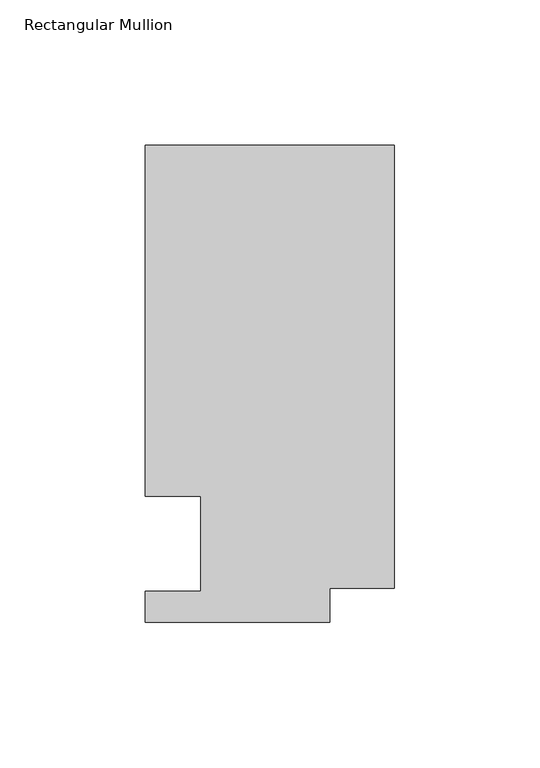
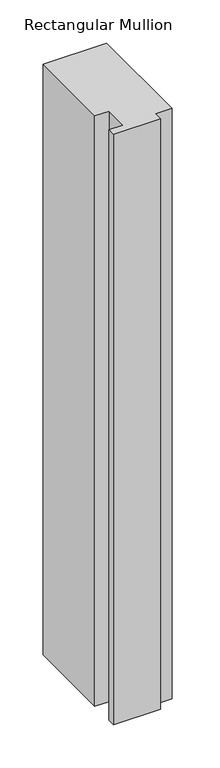
"""IFC4 building model written with IfcOpenShell, lengths in millimetres: member geometry, Rectangular Mullion."""

from ifc_helpers import new_model, si_unit, frame, origin, place, context, project, spatial, polyline, outline, extrude, source, transform, mapped, element, save


def rectangular_mullion_e59d50a5(model_context):
    return source(origin(), model_context, "Body", "SweptSolid", [
        extrude(outline(polyline([(-85.7123, 152.4), (0.0, 152.4), (0.0, 0.0), (-22.2123, 0.0), (-22.2123, -11.684), (-85.7123, -11.684), (-85.7123, -1.016), (-66.6623, -1.016), (-66.6623, 31.75), (-85.7123, 31.75), (-85.7123, 152.4)])), frame((0.0, 0.0, -838.2000001), z_axis=(0.0, 0.0, 1.0), x_axis=(1.0, 0.0, 0.0)), (0.0, 0.0, 1.0), 838.2000001),
    ])


if __name__ == "__main__":
    model = new_model("IFC4")
    model_context = context("Model", 3, world=origin())
    ifc_project = project(units=[si_unit("LENGTHUNIT", "METRE", prefix="MILLI")], contexts=[model_context])
    site = spatial("IfcSite", under=ifc_project)
    building = spatial("IfcBuilding", under=site)
    placement = place(None, origin())
    rectangular_mullion_shape = rectangular_mullion_e59d50a5(model_context)
    element("IfcMember", 1, ObjectType="Rectangular Mullion", at=placement, inside=building, context=model_context, shape_type="MappedRepresentation", body=[
        mapped(rectangular_mullion_shape, transform((0.0, 0.0, 0.0), x_axis=(1.0, 0.0, 0.0), y_axis=(0.0, 1.0, 0.0), z_axis=(0.0, 0.0, 1.0))),
    ])
    save(model, "model.ifc")
